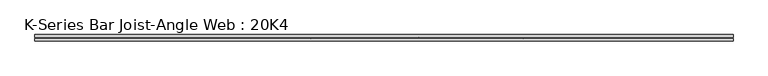
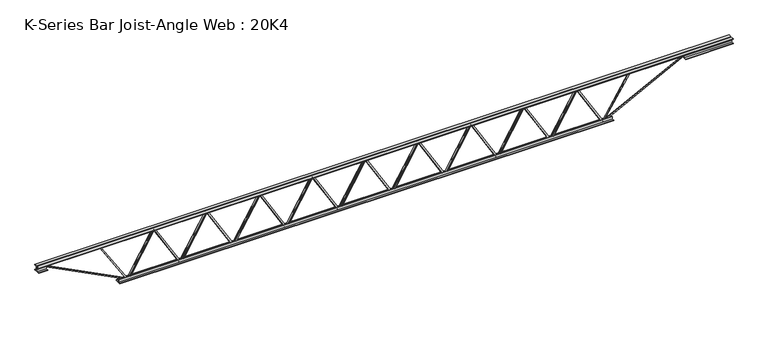
"""IFC4 building model written with IfcOpenShell, lengths in millimetres: beam geometry, K-Series Bar Joist-Angle Web : 20K4."""

from ifc_helpers import new_model, si_unit, frame, origin, place, context, project, spatial, polyline, outline, extrude, faceted_brep, source, transform, mapped, element, save


def k_series_bar_joist_angle_web_20k4_379dd952(model_context):
    return source(origin(), model_context, "Body", "SolidModel", [
        extrude(outline(polyline([(-4.7625, 4.7625001), (-4.7625, 0.0), (-17.4625, 0.0), (-17.4625, 4.7625001), (-4.7625, 4.7625001)])), frame((2049.9608948, 0.0, -215.9), z_axis=(-0.5082095701282379, 0.0, 0.861233436897379), x_axis=(0.0, -1.0, 0.0)), (0.0, 0.0, 1.0), 501.3739382),
        extrude(outline(polyline([(-250.825, 2082.3590278), (-231.775, 2082.3590278), (-231.775, 2081.4480919), (250.825, 1796.6682307), (250.825, 1778.5291667), (231.775, 1778.5291667), (231.775, 1785.7901026), (-250.825, 2070.5699637), (-250.825, 2082.3590278)])), frame((0.0, 0.0, 0.0), z_axis=(0.0, 1.0, 0.0), x_axis=(0.0, 0.0, 1.0)), (0.0, 0.0, 1.0), 4.7625),
        faceted_brep([(1487.3993056, 0.0, -231.775), (1487.3993056, 0.0, -250.825), (1487.3993056, -4.7625, -250.825), (1487.3993056, -4.7625, -231.775), (1488.3102415, 0.0, -231.775), (1773.0901026, 0.0, 250.825), (1791.2291667, 0.0, 250.825), (1791.2291667, 0.0, 231.775), (1783.9682307, 0.0, 231.775), (1499.1883696, 0.0, -250.825), (1499.1883696, -4.7625, -250.825), (1519.7974385, -4.7625, -215.9), (1515.6958143, -4.7625, -213.4796519), (1770.4988479, -4.7625, 218.3203481), (1774.6004721, -4.7625, 215.9), (1783.9682307, -4.7625, 231.775), (1791.2291667, -4.7625, 231.775), (1791.2291667, -4.7625, 250.825), (1773.0901026, -4.7625, 250.825), (1488.3102415, -4.7625, -231.775), (1774.6004721, -17.4625, 215.9), (1519.7974385, -17.4625, -215.9), (1515.6958143, -17.4625, -213.4796519), (1770.4988479, -17.4625, 218.3203481)], [[[0, 1, 2, 3]], [[1, 0, 4, 5, 6, 7, 8, 9]], [[2, 1, 9, 10]], [[3, 2, 10, 11, 12, 13, 14, 15, 16, 17, 18, 19]], [[0, 3, 19, 4]], [[9, 8, 15, 14, 20, 21, 11, 10]], [[5, 4, 19, 18]], [[7, 6, 17, 16]], [[8, 7, 16, 15]], [[6, 5, 18, 17]], [[21, 22, 12, 11]], [[20, 14, 13, 23]], [[22, 21, 20, 23]], [[12, 22, 23, 13]]]),
        extrude(outline(polyline([(-4.7625, 4.7625), (-4.7625, 0.0), (-17.4625, 0.0), (-17.4625, 4.7625), (-4.7625, 4.7625)])), frame((1455.0011726, 0.0, -215.9), z_axis=(-0.5082095701282379, 0.0, 0.861233436897379), x_axis=(0.0, -1.0, 0.0)), (0.0, 0.0, 1.0), 501.3739382),
        extrude(outline(polyline([(-250.825, 1487.3993056), (-231.775, 1487.3993056), (-231.775, 1486.4883696), (250.825, 1201.7085085), (250.825, 1183.5694444), (231.775, 1183.5694444), (231.775, 1190.8303804), (-250.825, 1475.6102415), (-250.825, 1487.3993056)])), frame((0.0, 0.0, 0.0), z_axis=(0.0, 1.0, 0.0), x_axis=(0.0, 0.0, 1.0)), (0.0, 0.0, 1.0), 4.7625),
        faceted_brep([(892.4395833, 0.0, -231.775), (892.4395833, 0.0, -250.825), (892.4395833, -4.7625, -250.825), (892.4395833, -4.7625, -231.775), (893.3505193, 0.0, -231.775), (1178.1303804, 0.0, 250.825), (1196.2694444, 0.0, 250.825), (1196.2694444, 0.0, 231.775), (1189.0085085, 0.0, 231.775), (904.2286474, 0.0, -250.825), (904.2286474, -4.7625, -250.825), (924.8377163, -4.7625, -215.9), (920.7360921, -4.7625, -213.4796519), (1175.5391257, -4.7625, 218.3203481), (1179.6407499, -4.7625, 215.9), (1189.0085085, -4.7625, 231.775), (1196.2694444, -4.7625, 231.775), (1196.2694444, -4.7625, 250.825), (1178.1303804, -4.7625, 250.825), (893.3505193, -4.7625, -231.775), (1179.6407499, -17.4625, 215.9), (924.8377163, -17.4625, -215.9), (920.7360921, -17.4625, -213.4796519), (1175.5391257, -17.4625, 218.3203481)], [[[0, 1, 2, 3]], [[1, 0, 4, 5, 6, 7, 8, 9]], [[2, 1, 9, 10]], [[3, 2, 10, 11, 12, 13, 14, 15, 16, 17, 18, 19]], [[0, 3, 19, 4]], [[9, 8, 15, 14, 20, 21, 11, 10]], [[5, 4, 19, 18]], [[7, 6, 17, 16]], [[8, 7, 16, 15]], [[6, 5, 18, 17]], [[21, 22, 12, 11]], [[20, 14, 13, 23]], [[22, 21, 20, 23]], [[12, 22, 23, 13]]]),
        extrude(outline(polyline([(-4.7625, 4.7625), (-4.7625, 0.0), (-17.4625, 0.0), (-17.4625, 4.7625), (-4.7625, 4.7625)])), frame((860.0414504, 0.0, -215.9), z_axis=(-0.5082095701282379, 0.0, 0.861233436897379), x_axis=(0.0, -1.0, 0.0)), (0.0, 0.0, 1.0), 501.3739382),
        extrude(outline(polyline([(-250.825, 892.4395833), (-231.775, 892.4395833), (-231.775, 891.5286474), (250.825, 606.7487863), (250.825, 588.6097222), (231.775, 588.6097222), (231.775, 595.8706581), (-250.825, 880.6505193), (-250.825, 892.4395833)])), frame((0.0, 0.0, 0.0), z_axis=(0.0, 1.0, 0.0), x_axis=(0.0, 0.0, 1.0)), (0.0, 0.0, 1.0), 4.7625),
        faceted_brep([(297.4798611, 0.0, -231.775), (297.4798611, 0.0, -250.825), (297.4798611, -4.7625, -250.825), (297.4798611, -4.7625, -231.775), (298.390797, 0.0, -231.775), (583.1706581, 0.0, 250.825), (601.3097222, 0.0, 250.825), (601.3097222, 0.0, 231.775), (594.0487863, 0.0, 231.775), (309.2689252, 0.0, -250.825), (309.2689252, -4.7625, -250.825), (329.8779941, -4.7625, -215.9), (325.7763698, -4.7625, -213.4796519), (580.5794035, -4.7625, 218.3203481), (584.6810277, -4.7625, 215.9), (594.0487863, -4.7625, 231.775), (601.3097222, -4.7625, 231.775), (601.3097222, -4.7625, 250.825), (583.1706581, -4.7625, 250.825), (298.390797, -4.7625, -231.775), (584.6810277, -17.4625, 215.9), (329.8779941, -17.4625, -215.9), (325.7763698, -17.4625, -213.4796519), (580.5794035, -17.4625, 218.3203481)], [[[0, 1, 2, 3]], [[1, 0, 4, 5, 6, 7, 8, 9]], [[2, 1, 9, 10]], [[3, 2, 10, 11, 12, 13, 14, 15, 16, 17, 18, 19]], [[0, 3, 19, 4]], [[9, 8, 15, 14, 20, 21, 11, 10]], [[5, 4, 19, 18]], [[7, 6, 17, 16]], [[8, 7, 16, 15]], [[6, 5, 18, 17]], [[21, 22, 12, 11]], [[20, 14, 13, 23]], [[22, 21, 20, 23]], [[12, 22, 23, 13]]]),
        extrude(outline(polyline([(-4.7625, 4.7625001), (-4.7625, 0.0), (-17.4625, 0.0), (-17.4625, 4.7625001), (-4.7625, 4.7625001)])), frame((265.0817281, 0.0, -215.9), z_axis=(-0.5082095701282379, 0.0, 0.861233436897379), x_axis=(0.0, -1.0, 0.0)), (0.0, 0.0, 1.0), 501.3739382),
        extrude(outline(polyline([(-250.825, 297.4798611), (-231.775, 297.4798611), (-231.775, 296.5689252), (250.825, 11.7890641), (250.825, -6.35), (231.775, -6.35), (231.775, 0.9109359), (-250.825, 285.690797), (-250.825, 297.4798611)])), frame((0.0, 0.0, 0.0), z_axis=(0.0, 1.0, 0.0), x_axis=(0.0, 0.0, 1.0)), (0.0, 0.0, 1.0), 4.7625),
        faceted_brep([(-297.4798611, 0.0, -231.775), (-297.4798611, 0.0, -250.825), (-297.4798611, -4.7625, -250.825), (-297.4798611, -4.7625, -231.775), (-296.5689252, 0.0, -231.775), (-11.7890641, 0.0, 250.825), (6.35, 0.0, 250.825), (6.35, 0.0, 231.775), (-0.9109359, 0.0, 231.775), (-285.690797, 0.0, -250.825), (-285.690797, -4.7625, -250.825), (-265.0817281, -4.7625, -215.9), (-269.1833524, -4.7625, -213.4796519), (-14.3803188, -4.7625, 218.3203481), (-10.2786945, -4.7625, 215.9), (-0.9109359, -4.7625, 231.775), (6.35, -4.7625, 231.775), (6.35, -4.7625, 250.825), (-11.7890641, -4.7625, 250.825), (-296.5689252, -4.7625, -231.775), (-10.2786945, -17.4625, 215.9), (-265.0817281, -17.4625, -215.9), (-269.1833524, -17.4625, -213.4796519), (-14.3803188, -17.4625, 218.3203481)], [[[0, 1, 2, 3]], [[1, 0, 4, 5, 6, 7, 8, 9]], [[2, 1, 9, 10]], [[3, 2, 10, 11, 12, 13, 14, 15, 16, 17, 18, 19]], [[0, 3, 19, 4]], [[9, 8, 15, 14, 20, 21, 11, 10]], [[5, 4, 19, 18]], [[7, 6, 17, 16]], [[8, 7, 16, 15]], [[6, 5, 18, 17]], [[21, 22, 12, 11]], [[20, 14, 13, 23]], [[22, 21, 20, 23]], [[12, 22, 23, 13]]]),
        extrude(outline(polyline([(-4.7625, 4.7625001), (-4.7625, 0.0), (-17.4625, 0.0), (-17.4625, 4.7625001), (-4.7625, 4.7625001)])), frame((-329.8779941, 0.0, -215.9), z_axis=(-0.5082095701282379, 0.0, 0.861233436897379), x_axis=(0.0, -1.0, 0.0)), (0.0, 0.0, 1.0), 501.3739382),
        extrude(outline(polyline([(-250.825, -297.4798611), (-231.775, -297.4798611), (-231.775, -298.390797), (250.825, -583.1706581), (250.825, -601.3097222), (231.775, -601.3097222), (231.775, -594.0487863), (-250.825, -309.2689252), (-250.825, -297.4798611)])), frame((0.0, 0.0, 0.0), z_axis=(0.0, 1.0, 0.0), x_axis=(0.0, 0.0, 1.0)), (0.0, 0.0, 1.0), 4.7625),
        faceted_brep([(-892.4395833, 0.0, -231.775), (-892.4395833, 0.0, -250.825), (-892.4395833, -4.7625, -250.825), (-892.4395833, -4.7625, -231.775), (-891.5286474, 0.0, -231.775), (-606.7487863, 0.0, 250.825), (-588.6097222, 0.0, 250.825), (-588.6097222, 0.0, 231.775), (-595.8706581, 0.0, 231.775), (-880.6505193, 0.0, -250.825), (-880.6505193, -4.7625, -250.825), (-860.0414504, -4.7625, -215.9), (-864.1430746, -4.7625, -213.4796519), (-609.340041, -4.7625, 218.3203481), (-605.2384167, -4.7625, 215.9), (-595.8706581, -4.7625, 231.775), (-588.6097222, -4.7625, 231.775), (-588.6097222, -4.7625, 250.825), (-606.7487863, -4.7625, 250.825), (-891.5286474, -4.7625, -231.775), (-605.2384167, -17.4625, 215.9), (-860.0414504, -17.4625, -215.9), (-864.1430746, -17.4625, -213.4796519), (-609.340041, -17.4625, 218.3203481)], [[[0, 1, 2, 3]], [[1, 0, 4, 5, 6, 7, 8, 9]], [[2, 1, 9, 10]], [[3, 2, 10, 11, 12, 13, 14, 15, 16, 17, 18, 19]], [[0, 3, 19, 4]], [[9, 8, 15, 14, 20, 21, 11, 10]], [[5, 4, 19, 18]], [[7, 6, 17, 16]], [[8, 7, 16, 15]], [[6, 5, 18, 17]], [[21, 22, 12, 11]], [[20, 14, 13, 23]], [[22, 21, 20, 23]], [[12, 22, 23, 13]]]),
        extrude(outline(polyline([(-4.7625, 4.7625), (-4.7625, 0.0), (-17.4625, 0.0), (-17.4625, 4.7625), (-4.7625, 4.7625)])), frame((-924.8377163, 0.0, -215.9), z_axis=(-0.5082095701282379, 0.0, 0.861233436897379), x_axis=(0.0, -1.0, 0.0)), (0.0, 0.0, 1.0), 501.3739382),
        extrude(outline(polyline([(-250.825, -892.4395833), (-231.775, -892.4395833), (-231.775, -893.3505193), (250.825, -1178.1303804), (250.825, -1196.2694444), (231.775, -1196.2694444), (231.775, -1189.0085085), (-250.825, -904.2286474), (-250.825, -892.4395833)])), frame((0.0, 0.0, 0.0), z_axis=(0.0, 1.0, 0.0), x_axis=(0.0, 0.0, 1.0)), (0.0, 0.0, 1.0), 4.7625),
        faceted_brep([(-1487.3993056, 0.0, -231.775), (-1487.3993056, 0.0, -250.825), (-1487.3993056, -4.7625, -250.825), (-1487.3993056, -4.7625, -231.775), (-1486.4883696, 0.0, -231.775), (-1201.7085085, 0.0, 250.825), (-1183.5694444, 0.0, 250.825), (-1183.5694444, 0.0, 231.775), (-1190.8303804, 0.0, 231.775), (-1475.6102415, 0.0, -250.825), (-1475.6102415, -4.7625, -250.825), (-1455.0011726, -4.7625, -215.9), (-1459.1027968, -4.7625, -213.4796519), (-1204.2997632, -4.7625, 218.3203481), (-1200.198139, -4.7625, 215.9), (-1190.8303804, -4.7625, 231.775), (-1183.5694444, -4.7625, 231.775), (-1183.5694444, -4.7625, 250.825), (-1201.7085085, -4.7625, 250.825), (-1486.4883696, -4.7625, -231.775), (-1200.198139, -17.4625, 215.9), (-1455.0011726, -17.4625, -215.9), (-1459.1027968, -17.4625, -213.4796519), (-1204.2997632, -17.4625, 218.3203481)], [[[0, 1, 2, 3]], [[1, 0, 4, 5, 6, 7, 8, 9]], [[2, 1, 9, 10]], [[3, 2, 10, 11, 12, 13, 14, 15, 16, 17, 18, 19]], [[0, 3, 19, 4]], [[9, 8, 15, 14, 20, 21, 11, 10]], [[5, 4, 19, 18]], [[7, 6, 17, 16]], [[8, 7, 16, 15]], [[6, 5, 18, 17]], [[21, 22, 12, 11]], [[20, 14, 13, 23]], [[22, 21, 20, 23]], [[12, 22, 23, 13]]]),
        extrude(outline(polyline([(-4.7625, 4.7625), (-4.7625, 0.0), (-17.4625, 0.0), (-17.4625, 4.7625), (-4.7625, 4.7625)])), frame((-1519.7974385, 0.0, -215.9), z_axis=(-0.5082095701282379, 0.0, 0.861233436897379), x_axis=(0.0, -1.0, 0.0)), (0.0, 0.0, 1.0), 501.3739382),
        extrude(outline(polyline([(-250.825, -1487.3993056), (-231.775, -1487.3993056), (-231.775, -1488.3102415), (250.825, -1773.0901026), (250.825, -1791.2291667), (231.775, -1791.2291667), (231.775, -1783.9682307), (-250.825, -1499.1883696), (-250.825, -1487.3993056)])), frame((0.0, 0.0, 0.0), z_axis=(0.0, 1.0, 0.0), x_axis=(0.0, 0.0, 1.0)), (0.0, 0.0, 1.0), 4.7625),
        faceted_brep([(-2082.3590278, 0.0, -231.775), (-2082.3590278, 0.0, -250.825), (-2082.3590278, -4.7625, -250.825), (-2082.3590278, -4.7625, -231.775), (-2081.4480919, 0.0, -231.775), (-1796.6682307, 0.0, 250.825), (-1778.5291667, 0.0, 250.825), (-1778.5291667, 0.0, 231.775), (-1785.7901026, 0.0, 231.775), (-2070.5699637, 0.0, -250.825), (-2070.5699637, -4.7625, -250.825), (-2049.9608948, -4.7625, -215.9), (-2054.0625191, -4.7625, -213.4796519), (-1799.2594854, -4.7625, 218.3203481), (-1795.1578612, -4.7625, 215.9), (-1785.7901026, -4.7625, 231.775), (-1778.5291667, -4.7625, 231.775), (-1778.5291667, -4.7625, 250.825), (-1796.6682307, -4.7625, 250.825), (-2081.4480919, -4.7625, -231.775), (-1795.1578612, -17.4625, 215.9), (-2049.9608948, -17.4625, -215.9), (-2054.0625191, -17.4625, -213.4796519), (-1799.2594854, -17.4625, 218.3203481)], [[[0, 1, 2, 3]], [[1, 0, 4, 5, 6, 7, 8, 9]], [[2, 1, 9, 10]], [[3, 2, 10, 11, 12, 13, 14, 15, 16, 17, 18, 19]], [[0, 3, 19, 4]], [[9, 8, 15, 14, 20, 21, 11, 10]], [[5, 4, 19, 18]], [[7, 6, 17, 16]], [[8, 7, 16, 15]], [[6, 5, 18, 17]], [[21, 22, 12, 11]], [[20, 14, 13, 23]], [[22, 21, 20, 23]], [[12, 22, 23, 13]]]),
        extrude(outline(polyline([(-4.7625, 4.7625001), (-4.7625, 0.0), (-17.4625, 0.0), (-17.4625, 4.7625001), (-4.7625, 4.7625001)])), frame((2644.920617, 0.0, -215.9), z_axis=(-0.5082095701282379, 0.0, 0.861233436897379), x_axis=(0.0, -1.0, 0.0)), (0.0, 0.0, 1.0), 501.3739382),
        extrude(outline(polyline([(-250.825, 2677.31875), (-231.775, 2677.31875), (-231.775, 2676.4078141), (250.825, 2391.627953), (250.825, 2373.4888889), (231.775, 2373.4888889), (231.775, 2380.7498248), (-250.825, 2665.5296859), (-250.825, 2677.31875)])), frame((0.0, 0.0, 0.0), z_axis=(0.0, 1.0, 0.0), x_axis=(0.0, 0.0, 1.0)), (0.0, 0.0, 1.0), 4.7625),
        faceted_brep([(2082.3590278, 0.0, -231.775), (2082.3590278, 0.0, -250.825), (2082.3590278, -4.7625, -250.825), (2082.3590278, -4.7625, -231.775), (2083.2699637, 0.0, -231.775), (2368.0498248, 0.0, 250.825), (2386.1888889, 0.0, 250.825), (2386.1888889, 0.0, 231.775), (2378.927953, 0.0, 231.775), (2094.1480919, 0.0, -250.825), (2094.1480919, -4.7625, -250.825), (2114.7571607, -4.7625, -215.9), (2110.6555365, -4.7625, -213.4796519), (2365.4585701, -4.7625, 218.3203481), (2369.5601944, -4.7625, 215.9), (2378.927953, -4.7625, 231.775), (2386.1888889, -4.7625, 231.775), (2386.1888889, -4.7625, 250.825), (2368.0498248, -4.7625, 250.825), (2083.2699637, -4.7625, -231.775), (2369.5601944, -17.4625, 215.9), (2114.7571607, -17.4625, -215.9), (2110.6555365, -17.4625, -213.4796519), (2365.4585701, -17.4625, 218.3203481)], [[[0, 1, 2, 3]], [[1, 0, 4, 5, 6, 7, 8, 9]], [[2, 1, 9, 10]], [[3, 2, 10, 11, 12, 13, 14, 15, 16, 17, 18, 19]], [[0, 3, 19, 4]], [[9, 8, 15, 14, 20, 21, 11, 10]], [[5, 4, 19, 18]], [[7, 6, 17, 16]], [[8, 7, 16, 15]], [[6, 5, 18, 17]], [[21, 22, 12, 11]], [[20, 14, 13, 23]], [[22, 21, 20, 23]], [[12, 22, 23, 13]]]),
        extrude(outline(polyline([(-4.7625, 4.7625), (-4.7625, 0.0), (-17.4625, 0.0), (-17.4625, 4.7625), (-4.7625, 4.7625)])), frame((-2114.7571607, 0.0, -215.9), z_axis=(-0.5082095701282379, 0.0, 0.861233436897379), x_axis=(0.0, -1.0, 0.0)), (0.0, 0.0, 1.0), 501.3739382),
        extrude(outline(polyline([(-250.825, -2082.3590278), (-231.775, -2082.3590278), (-231.775, -2083.2699637), (250.825, -2368.0498248), (250.825, -2386.1888889), (231.775, -2386.1888889), (231.775, -2378.927953), (-250.825, -2094.1480919), (-250.825, -2082.3590278)])), frame((0.0, 0.0, 0.0), z_axis=(0.0, 1.0, 0.0), x_axis=(0.0, 0.0, 1.0)), (0.0, 0.0, 1.0), 4.7625),
        faceted_brep([(-2677.31875, 0.0, -231.775), (-2677.31875, 0.0, -250.825), (-2677.31875, -4.7625, -250.825), (-2677.31875, -4.7625, -231.775), (-2676.4078141, 0.0, -231.775), (-2391.627953, 0.0, 250.825), (-2373.4888889, 0.0, 250.825), (-2373.4888889, 0.0, 231.775), (-2380.7498248, 0.0, 231.775), (-2665.5296859, 0.0, -250.825), (-2665.5296859, -4.7625, -250.825), (-2644.920617, -4.7625, -215.9), (-2649.0222413, -4.7625, -213.4796519), (-2394.2192076, -4.7625, 218.3203481), (-2390.1175834, -4.7625, 215.9), (-2380.7498248, -4.7625, 231.775), (-2373.4888889, -4.7625, 231.775), (-2373.4888889, -4.7625, 250.825), (-2391.627953, -4.7625, 250.825), (-2676.4078141, -4.7625, -231.775), (-2390.1175834, -17.4625, 215.9), (-2644.920617, -17.4625, -215.9), (-2649.0222413, -17.4625, -213.4796519), (-2394.2192076, -17.4625, 218.3203481)], [[[0, 1, 2, 3]], [[1, 0, 4, 5, 6, 7, 8, 9]], [[2, 1, 9, 10]], [[3, 2, 10, 11, 12, 13, 14, 15, 16, 17, 18, 19]], [[0, 3, 19, 4]], [[9, 8, 15, 14, 20, 21, 11, 10]], [[5, 4, 19, 18]], [[7, 6, 17, 16]], [[8, 7, 16, 15]], [[6, 5, 18, 17]], [[21, 22, 12, 11]], [[20, 14, 13, 23]], [[22, 21, 20, 23]], [[12, 22, 23, 13]]]),
        extrude(outline(polyline([(4.7625, 254.0), (36.5125, 254.0), (36.5125, 247.65), (11.1125, 247.65), (11.1125, 222.25), (4.7625, 222.25), (4.7625, 254.0)])), frame((-3693.31875, 0.0, 0.0), z_axis=(1.0, 0.0, 0.0), x_axis=(0.0, 1.0, 0.0)), (0.0, 0.0, 1.0), 7818.4375),
        extrude(outline(polyline([(-4.7625, 254.0), (-4.7625, 222.25), (-11.1125, 222.25), (-11.1125, 247.65), (-36.5125, 247.65), (-36.5125, 254.0), (-4.7625, 254.0)])), frame((-3693.31875, 0.0, 0.0), z_axis=(1.0, 0.0, 0.0), x_axis=(0.0, 1.0, 0.0)), (0.0, 0.0, 1.0), 7818.4375),
        extrude(outline(polyline([(-4.7625, 190.5), (-36.5125, 190.5), (-36.5125, 196.85), (-11.1125, 196.85), (-11.1125, 222.25), (-4.7625, 222.25), (-4.7625, 190.5)])), frame((-3693.31875, 0.0, 0.0), z_axis=(1.0, 0.0, 0.0), x_axis=(0.0, 1.0, 0.0)), (0.0, 0.0, 1.0), 101.6),
        extrude(outline(polyline([(36.5125, 190.5), (4.7625, 190.5), (4.7625, 222.25), (11.1125, 222.25), (11.1125, 196.85), (36.5125, 196.85), (36.5125, 190.5)])), frame((-3693.31875, 0.0, 0.0), z_axis=(1.0, 0.0, 0.0), x_axis=(0.0, 1.0, 0.0)), (0.0, 0.0, 1.0), 101.6),
        extrude(outline(polyline([(4.7625, 190.5), (4.7625, 222.25), (11.1125, 222.25), (11.1125, 196.85), (36.5125, 196.85), (36.5125, 190.5), (4.7625, 190.5)])), frame((3591.71875, 0.0, 0.0), z_axis=(1.0, 0.0, 0.0), x_axis=(0.0, 1.0, 0.0)), (0.0, 0.0, 1.0), 533.4),
        extrude(outline(polyline([(-4.7625, 190.5), (-36.5125, 190.5), (-36.5125, 196.85), (-11.1125, 196.85), (-11.1125, 222.25), (-4.7625, 222.25), (-4.7625, 190.5)])), frame((3591.71875, 0.0, 0.0), z_axis=(1.0, 0.0, 0.0), x_axis=(0.0, 1.0, 0.0)), (0.0, 0.0, 1.0), 533.4),
        extrude(outline(polyline([(4.7625, -254.0), (4.7625, -222.25), (11.1125, -222.25), (11.1125, -247.65), (36.5125, -247.65), (36.5125, -254.0), (4.7625, -254.0)])), frame((-2778.91875, 0.0, 0.0), z_axis=(1.0, 0.0, 0.0), x_axis=(0.0, 1.0, 0.0)), (0.0, 0.0, 1.0), 5557.8375),
        extrude(outline(polyline([(-4.7625, -254.0), (-36.5125, -254.0), (-36.5125, -247.65), (-11.1125, -247.65), (-11.1125, -222.25), (-4.7625, -222.25), (-4.7625, -254.0)])), frame((-2778.91875, 0.0, 0.0), z_axis=(1.0, 0.0, 0.0), x_axis=(0.0, 1.0, 0.0)), (0.0, 0.0, 1.0), 5557.8375),
        extrude(outline(polyline([(4.7625, 4.7625), (4.7625, -4.7625), (-4.7625, -4.7625), (-4.7625, 4.7625), (4.7625, 4.7625)])), frame((2677.31875, 0.0, -247.65), z_axis=(0.5348936165600712, 0.0, 0.8449194156623977), x_axis=(0.0, -1.0, 0.0)), (0.0, 0.0, 1.0), 556.1477122),
        extrude(outline(polyline([(4.7625, 4.7625), (4.7625, -4.7625), (-4.7625, -4.7625), (-4.7625, 4.7625), (4.7625, 4.7625)])), frame((-2677.31875, 0.0, -247.65), z_axis=(-0.534893616560048, 0.0, 0.8449194156624125), x_axis=(0.0, -1.0, 0.0)), (0.0, 0.0, 1.0), 556.1477122),
        extrude(outline(polyline([(0.0, -9.525), (0.0, 0.0), (1028.0726482, 0.0), (1028.0726482, -9.525), (0.0, -9.525)])), frame((3593.8955405, -4.7625, 218.0140834), z_axis=(-0.45706886650204326, 0.0, 0.889431307788599), x_axis=(-0.889431307788599, 0.0, -0.45706886650204326)), (0.0, 0.0, 1.0), 9.525),
        extrude(outline(polyline([(0.0, -9.525), (0.0, 0.0), (1028.0726482, 0.0), (1028.0726482, -9.525), (0.0, -9.525)])), frame((-3593.8955405, 4.7625, 218.0140834), z_axis=(0.4570688665020412, 0.0, 0.8894313077886), x_axis=(0.8894313077886, 0.0, -0.4570688665020412)), (0.0, 0.0, 1.0), 9.525),
    ])


if __name__ == "__main__":
    model = new_model("IFC4")
    model_context = context("Model", 3, world=origin())
    ifc_project = project(units=[si_unit("LENGTHUNIT", "METRE", prefix="MILLI")], contexts=[model_context])
    site = spatial("IfcSite", under=ifc_project)
    building = spatial("IfcBuilding", under=site)
    placement = place(None, origin())
    k_series_bar_joist_angle_web_20k4_shape = k_series_bar_joist_angle_web_20k4_379dd952(model_context)
    element("IfcBeam", 1, ObjectType="K-Series Bar Joist-Angle Web : 20K4", at=placement, inside=building, context=model_context, shape_type="MappedRepresentation", body=[
        mapped(k_series_bar_joist_angle_web_20k4_shape, transform((0.0, 0.0, 0.0), x_axis=(1.0, 0.0, 0.0), y_axis=(0.0, 1.0, 0.0), z_axis=(0.0, 0.0, 1.0))),
    ])
    save(model, "model.ifc")
